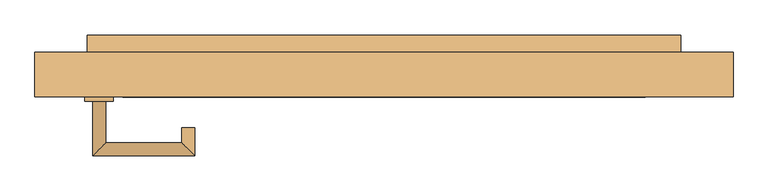
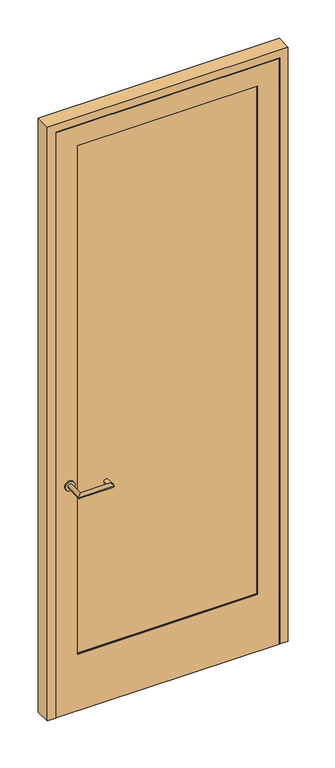
"""IFC4 building model written with IfcOpenShell, lengths in millimetres: door geometry."""

from ifc_helpers import new_model, si_unit, point, frame, frame_2d, origin, place, context, project, spatial, polyline, circle_curve, ellipse_curve, trimmed, segment, composite_curve, outline, extrude, faceted_brep, source, transform, mapped, element, save
from ifc_brep_helpers import plane_surface, cylinder_surface, advanced_brep


def door_6ad2de78(model_context):
    return source(origin(), model_context, "Body", "SolidModel", [
        extrude(outline(polyline([(2617.7875, 471.4875), (2617.7875, -471.4875), (0.0, -471.4875), (0.0, 471.4875), (2617.7875, 471.4875)]), holes=[polyline([(254.0, 381.0), (254.0, -381.0), (2527.3, -381.0), (2527.3, 381.0), (254.0, 381.0)])]), frame((0.0, -19.05, 0.0), z_axis=(0.0, 1.0, 0.0), x_axis=(0.0, 0.0, 1.0)), (0.0, 0.0, 1.0), 2.4553029),
        faceted_brep([(450.85, 42.6733196, 2597.15), (450.85, 42.6733196, 0.0), (433.3875, 42.6733196, 0.0), (433.3875, 42.6733196, 2579.6875), (-433.3875, 42.6733196, 2579.6875), (-433.3875, 42.6733196, 0.0), (-450.85, 42.6733196, 0.0), (-450.85, 42.6733196, 2597.15), (450.85, -16.5946971, 2597.15), (-450.85, -16.5946971, 2597.15), (-450.85, -16.5946971, 0.0), (450.85, -16.5946971, 0.0), (381.0, -16.5946971, 2527.3), (381.0, -16.5946971, 254.0), (-381.0, -16.5946971, 254.0), (-381.0, -16.5946971, 2527.3), (-381.0, 46.0375, 254.0), (-381.0, 46.0375, 2527.3), (381.0, 46.0375, 2527.3), (381.0, 46.0375, 254.0), (-433.3875, 46.0375, 0.0), (433.3875, 46.0375, 0.0), (-433.3875, 46.0375, 2579.6875), (433.3875, 46.0375, 2579.6875)], [[[0, 1, 2, 3, 4, 5, 6, 7]], [[8, 9, 10, 11], [12, 13, 14, 15]], [[7, 9, 8, 0]], [[6, 10, 9, 7]], [[14, 16, 17, 15]], [[17, 18, 12, 15]], [[18, 19, 13, 12]], [[10, 6, 5, 20, 21, 2, 1, 11]], [[0, 8, 11, 1]], [[21, 20, 22, 23], [19, 18, 17, 16]], [[23, 3, 2, 21]], [[22, 4, 3, 23]], [[19, 16, 14, 13]], [[20, 5, 4, 22]]]),
        extrude(outline(polyline([(381.0, 12.7), (381.0, -12.7), (-381.0, -12.7), (-381.0, 12.7), (381.0, 12.7)])), frame((0.0, 0.0, 254.0), z_axis=(0.0, 0.0, 1.0), x_axis=(1.0, 0.0, 0.0)), (0.0, 0.0, 1.0), 2273.3),
        advanced_brep(
        [(-406.4, -25.4, 1020.7625), (-425.45, -25.4, 1020.7625), (-406.4, -85.725, 1020.7625), (-425.45, -104.775, 1020.7625), (-295.275, -85.725, 1020.7625), (-276.225, -104.775, 1020.7625), (-295.275, -63.5, 1020.7625), (-276.225, -63.5, 1020.7625)],
        [
            (0, 1, circle_curve(frame((-415.925, -25.4, 1020.7625), z_axis=(0.0, 1.0, 0.0), x_axis=(-1.0000000000000004, 0.0, 0.0)), 9.525)),
            (1, 0, circle_curve(frame((-415.925, -25.4, 1020.7625), z_axis=(0.0, 1.0, 0.0), x_axis=(-1.0000000000000004, 0.0, 0.0)), 9.525)),
            (0, 2),
            (2, 3, ellipse_curve(frame((-415.925, -95.25, 1020.7625), z_axis=(-0.7071067811865588, 0.7071067811865362, 0.0), x_axis=(0.7071067811865362, 0.7071067811865588, 0.0)), 13.4703842, 9.525)),
            (3, 1),
            (3, 2, ellipse_curve(frame((-415.925, -95.25, 1020.7625), z_axis=(-0.7071067811865588, 0.7071067811865362, 0.0), x_axis=(0.7071067811865362, 0.7071067811865588, 0.0)), 13.4703842, 9.525)),
            (2, 4),
            (4, 5, ellipse_curve(frame((-285.75, -95.25, 1020.7625), z_axis=(-0.707106781186536, -0.707106781186559, 0.0), x_axis=(-0.707106781186559, 0.7071067811865359, 0.0)), 13.4703842, 9.525)),
            (5, 3),
            (5, 4, ellipse_curve(frame((-285.75, -95.25, 1020.7625), z_axis=(-0.707106781186536, -0.707106781186559, 0.0), x_axis=(-0.707106781186559, 0.7071067811865359, 0.0)), 13.4703842, 9.525)),
            (6, 7, circle_curve(frame((-285.75, -63.5, 1020.7625), z_axis=(0.0, 1.0, 0.0), x_axis=(1.0000000000000004, 0.0, 0.0)), 9.525)),
            (7, 6, circle_curve(frame((-285.75, -63.5, 1020.7625), z_axis=(0.0, 1.0, 0.0), x_axis=(1.0000000000000004, 0.0, 0.0)), 9.525)),
            (4, 6),
            (7, 5),
        ],
        [
            plane_surface(frame((-415.925, -25.4, 0.0), z_axis=(0.0, 1.0, 0.0), x_axis=(0.0, 0.0, 1.0))),
            cylinder_surface(frame((-415.925, -25.4, 1020.7625), z_axis=(0.0, 1.0000000000000004, 0.0), x_axis=(-1.0000000000000004, 0.0, 0.0)), 9.525),
            cylinder_surface(frame((-415.925, -95.25, 1020.7625), z_axis=(-1.0000000000000004, 0.0, 0.0), x_axis=(0.0, -1.0000000000000004, 0.0)), 9.525),
            plane_surface(frame((-285.75, -63.5, 0.0), z_axis=(0.0, 1.0, 0.0), x_axis=(0.0, 0.0, 1.0))),
            cylinder_surface(frame((-285.75, -95.25, 1020.7625), z_axis=(0.0, -1.0000000000000004, 0.0), x_axis=(1.0000000000000004, 0.0, 0.0)), 9.525),
        ],
        [
            (0, [[1, 2]]),
            (1, [[3, 4, 5, -1]]),
            (1, [[-5, 6, -3, -2]]),
            (2, [[7, 8, 9, -4]]),
            (2, [[-9, 10, -7, -6]]),
            (3, [[11, 12]]),
            (4, [[13, -12, 14, -8]]),
            (4, [[-14, -11, -13, -10]]),
        ],
    ),
        extrude(outline(polyline([(433.3875, 71.4375), (433.3875, 46.0375), (-433.3875, 46.0375), (-433.3875, 71.4375), (433.3875, 71.4375)])), frame((0.0, 0.0, 986.63125), z_axis=(0.0, 0.0, 1.0), x_axis=(1.0, 0.0, 0.0)), (0.0, 0.0, 1.0), 68.2625),
        extrude(outline(composite_curve([segment(trimmed(circle_curve(frame_2d((1020.7625, -415.925)), 20.6375), [point((1020.7625, -395.2875))], [point((1020.7625, -436.5625))], False, "CARTESIAN"), True, "CONTINUOUS"), segment(trimmed(circle_curve(frame_2d((1020.7625, -415.925)), 20.6375), [point((1020.7625, -436.5625))], [point((1020.7625, -395.2875))], False, "CARTESIAN"), True, "CONTINUOUS")], self_intersect=False)), frame((0.0, -25.4, 0.0), z_axis=(0.0, 1.0, 0.0), x_axis=(0.0, 0.0, 1.0)), (0.0, 0.0, 1.0), 6.35),
        faceted_brep([(509.5875, -19.05, 0.0), (474.6625, -19.05, 0.0), (474.6625, -12.7, 0.0), (460.375, -12.7, 0.0), (460.375, 42.8625, 0.0), (439.7375, 42.8625, 0.0), (439.7375, 46.0375, 0.0), (509.5875, 46.0375, 0.0), (509.5875, 46.0375, 2655.8875), (509.5875, -19.05, 2655.8875), (439.7375, 46.0375, 2586.0375), (-439.7375, 46.0375, 2586.0375), (-439.7375, 46.0375, 0.0), (-509.5875, 46.0375, 0.0), (-509.5875, 46.0375, 2655.8875), (439.7375, 42.8625, 2586.0375), (460.375, 42.8625, 2606.675), (-460.375, 42.8625, 2606.675), (-460.375, 42.8625, 0.0), (-439.7375, 42.8625, 0.0), (-439.7375, 42.8625, 2586.0375), (460.375, -12.7, 2606.675), (474.6625, -12.7, 2620.9625), (-474.6625, -12.7, 2620.9625), (-474.6625, -12.7, 0.0), (-460.375, -12.7, 0.0), (-460.375, -12.7, 2606.675), (474.6625, -19.05, 2620.9625), (-509.5875, -19.05, 2655.8875), (-509.5875, -19.05, 0.0), (-474.6625, -19.05, 0.0), (-474.6625, -19.05, 2620.9625)], [[[0, 1, 2, 3, 4, 5, 6, 7]], [[7, 8, 9, 0]], [[6, 10, 11, 12, 13, 14, 8, 7]], [[5, 15, 10, 6]], [[4, 16, 17, 18, 19, 20, 15, 5]], [[3, 21, 16, 4]], [[2, 22, 23, 24, 25, 26, 21, 3]], [[1, 27, 22, 2]], [[0, 9, 28, 29, 30, 31, 27, 1]], [[14, 13, 29, 28]], [[29, 13, 12, 19, 18, 25, 24, 30]], [[20, 19, 12, 11]], [[26, 25, 18, 17]], [[31, 30, 24, 23]], [[8, 14, 28, 9]], [[15, 20, 11, 10]], [[27, 31, 23, 22]], [[21, 26, 17, 16]]]),
    ])


if __name__ == "__main__":
    model = new_model("IFC4")
    model_context = context("Model", 3, world=origin())
    ifc_project = project(units=[si_unit("LENGTHUNIT", "METRE", prefix="MILLI")], contexts=[model_context])
    site = spatial("IfcSite", under=ifc_project)
    building = spatial("IfcBuilding", under=site)
    placement = place(None, origin())
    door_shape = door_6ad2de78(model_context)
    element("IfcDoor", 1, at=placement, inside=building, context=model_context, shape_type="MappedRepresentation", body=[
        mapped(door_shape, transform((0.0, 0.0, 0.0), x_axis=(1.0, 0.0, 0.0), y_axis=(0.0, 1.0, 0.0), z_axis=(0.0, 0.0, 1.0))),
    ])
    save(model, "model.ifc")
